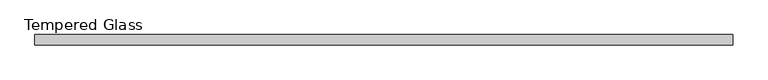
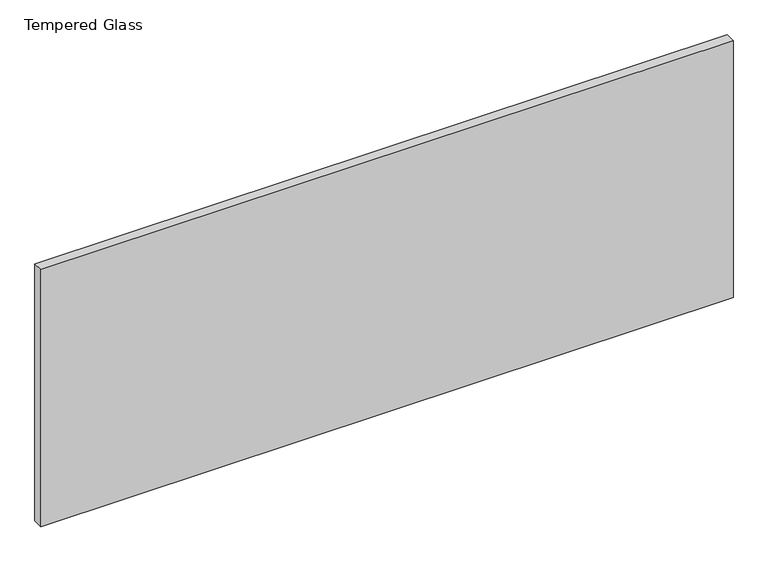
"""IFC4 building model written with IfcOpenShell, lengths in millimetres: plate geometry, Tempered Glass."""

from ifc_helpers import new_model, si_unit, origin, origin_with_axes, place, context, project, spatial, polyline, outline, extrude, source, transform, mapped, element, save


def tempered_glass_16e0f0ff(model_context):
    return source(origin(), model_context, "Body", "SweptSolid", [
        extrude(outline(polyline([(654.8437501, -9.525), (-654.8437501, -9.525), (-654.8437501, 9.525), (654.8437501, 9.525), (654.8437501, -9.525)])), origin_with_axes(), (0.0, 0.0, 1.0), 514.35),
    ])


if __name__ == "__main__":
    model = new_model("IFC4")
    model_context = context("Model", 3, world=origin())
    ifc_project = project(units=[si_unit("LENGTHUNIT", "METRE", prefix="MILLI")], contexts=[model_context])
    site = spatial("IfcSite", under=ifc_project)
    building = spatial("IfcBuilding", under=site)
    placement = place(None, origin())
    tempered_glass_shape = tempered_glass_16e0f0ff(model_context)
    element("IfcPlate", 1, ObjectType="Tempered Glass", at=placement, inside=building, context=model_context, shape_type="MappedRepresentation", body=[
        mapped(tempered_glass_shape, transform((0.0, 0.0, 0.0), x_axis=(1.0, 0.0, 0.0), y_axis=(0.0, 1.0, 0.0), z_axis=(0.0, 0.0, 1.0))),
    ])
    save(model, "model.ifc")
